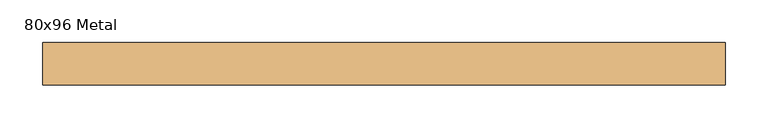
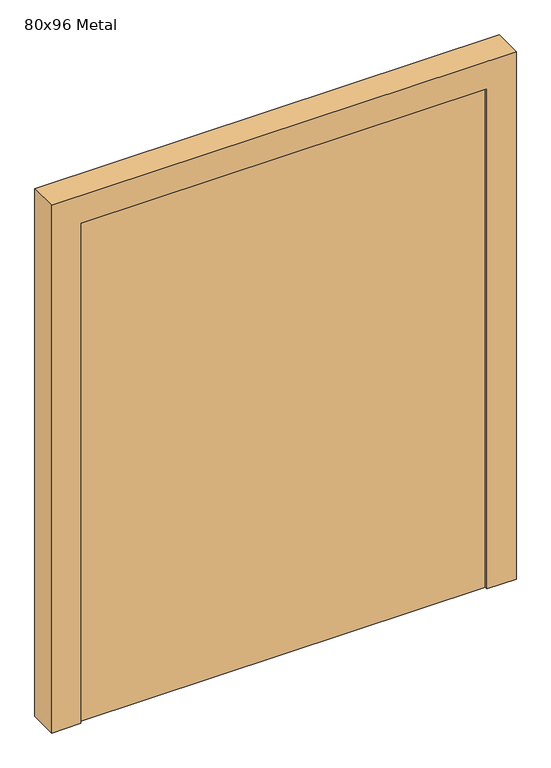
"""IFC4 building model written with IfcOpenShell, lengths in millimetres: door geometry, 80x96 Metal."""

from ifc_helpers import new_model, si_unit, frame, origin, origin_with_axes, place, context, project, spatial, polyline, outline, extrude, source, transform, mapped, element, save


def door_80x96_metal_b5488d4f(model_context):
    return source(origin(), model_context, "Body", "SweptSolid", [
        extrude(outline(polyline([(910.0, 350.0), (0.0, 350.0), (0.0, 400.0), (960.0, 400.0), (960.0, -400.0), (0.0, -400.0), (0.0, -350.0), (910.0, -350.0), (910.0, 350.0)])), frame((0.0, -70.0, 0.0), z_axis=(0.0, 1.0, 0.0), x_axis=(0.0, 0.0, 1.0)), (0.0, 0.0, 1.0), 50.0),
        extrude(outline(polyline([(-350.0, -65.0), (-350.0, -35.0), (350.0, -35.0), (350.0, -65.0), (-350.0, -65.0)])), origin_with_axes(), (0.0, 0.0, 1.0), 910.0),
    ])


if __name__ == "__main__":
    model = new_model("IFC4")
    model_context = context("Model", 3, world=origin())
    ifc_project = project(units=[si_unit("LENGTHUNIT", "METRE", prefix="MILLI")], contexts=[model_context])
    site = spatial("IfcSite", under=ifc_project)
    building = spatial("IfcBuilding", under=site)
    placement = place(None, origin())
    door_80x96_metal_shape = door_80x96_metal_b5488d4f(model_context)
    element("IfcDoor", 1, ObjectType="80x96 Metal", at=placement, inside=building, context=model_context, shape_type="MappedRepresentation", body=[
        mapped(door_80x96_metal_shape, transform((0.0, 0.0, 0.0), x_axis=(1.0, 0.0, 0.0), y_axis=(0.0, 1.0, 0.0), z_axis=(0.0, 0.0, 1.0))),
    ])
    save(model, "model.ifc")
